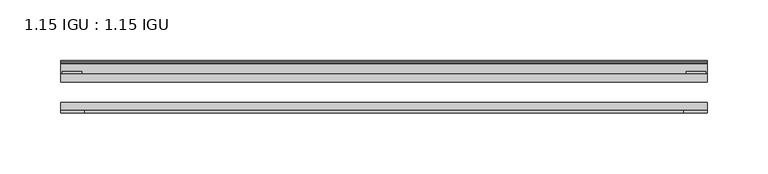
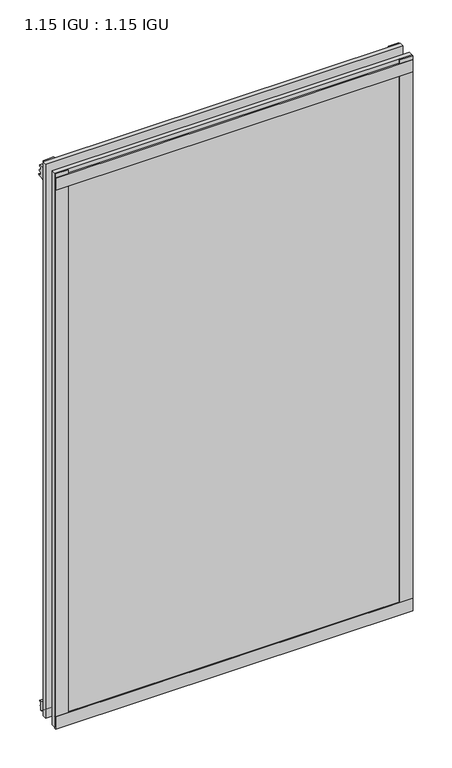
"""IFC4 building model written with IfcOpenShell, lengths in millimetres: plate geometry, 1.15 IGU : 1.15 IGU."""

from ifc_helpers import new_model, si_unit, point, frame, frame_2d, origin, place, context, project, spatial, polyline, circle_curve, trimmed, segment, composite_curve, outline, extrude, source, transform, mapped, element, save


def plate_1_15_igu_1_15_igu_24d69bb9(model_context):
    return source(origin(), model_context, "Body", "SweptSolid", [
        extrude(outline(polyline([(265.11885, 0.0), (265.11885, -6.2992), (-265.11885, -6.2992), (-265.11885, 0.0), (265.11885, 0.0)])), frame((0.0, 0.0, -17.4498), z_axis=(0.0, 0.0, 1.0), x_axis=(1.0, 0.0, 0.0)), (0.0, 0.0, 1.0), 868.3366072),
        extrude(outline(polyline([(-265.11885, -23.1648), (265.11885, -23.1648), (265.11885, -29.464), (-265.11885, -29.464), (-265.11885, -23.1648)])), frame((0.0, 0.0, -17.4498), z_axis=(0.0, 0.0, 1.0), x_axis=(1.0, 0.0, 0.0)), (0.0, 0.0, 1.0), 868.3366072),
        extrude(outline(polyline([(-265.11885, -31.75), (-265.11885, -29.464), (265.11885, -29.464), (265.11885, -31.75), (-265.11885, -31.75)])), frame((0.0, 0.0, -19.05), z_axis=(0.0, 0.0, 1.0), x_axis=(1.0, 0.0, 0.0)), (0.0, 0.0, 1.0), 19.05),
        extrude(outline(composite_curve([segment(trimmed(circle_curve(frame_2d((13.6593785, 32.4202472)), 31.3046461), [point((0.0, 4.2528503))], [point((9.3980339, 1.406995))], True, "CARTESIAN"), True, "CONTINUOUS"), segment(polyline([(9.3980339, 1.406995), (9.3980339, 0.0254), (6.35, 0.0254), (6.35, -5.1625788), (7.7309478, -5.3970663), (6.35, -8.0073788), (6.35, -11.8471127)]), True, "CONTINUOUS"), segment(trimmed(circle_curve(frame_2d((5.334, -11.8471127)), 1.016), [point((6.35, -11.8471127))], [point((4.6284878, -12.5782136))], False, "CARTESIAN"), True, "CONTINUOUS"), segment(trimmed(circle_curve(frame_2d((-23.3689302, -41.5910901)), 40.3187601), [point((4.6284878, -12.5782136))], [point((0.0, -8.735413))], True, "CARTESIAN"), True, "CONTINUOUS"), segment(polyline([(0.0, -8.735413), (0.0, 4.2528503)]), True, "CONTINUOUS")], self_intersect=False)), frame((-265.11885, 0.0, 0.0), z_axis=(1.0, 0.0, 0.0), x_axis=(0.0, 1.0, 0.0)), (0.0, 0.0, 1.0), 530.2377),
        extrude(outline(composite_curve([segment(polyline([(8.509, 840.7300284), (8.509, 838.6980284), (6.35, 838.6980284), (6.35, 833.3640284), (8.9492698, 833.3640284)]), True, "CONTINUOUS"), segment(trimmed(circle_curve(frame_2d((8.208689, 831.8368072)), 1.697311), [point((8.9492698, 833.3640284))], [point((8.962411, 830.3160284))], False, "CARTESIAN"), True, "CONTINUOUS"), segment(polyline([(8.962411, 830.3160284), (6.35, 830.3160284), (6.35, 825.4868072), (11.1252, 825.4868072), (11.1252, 824.5978072)]), True, "CONTINUOUS"), segment(trimmed(circle_curve(frame_2d((10.1092, 824.5978072)), 1.016), [point((11.1252, 824.5978072))], [point((10.1092, 823.5818072))], False, "CARTESIAN"), True, "CONTINUOUS"), segment(trimmed(circle_curve(frame_2d((10.1092, 804.1707318)), 19.4110754), [point((10.1092, 823.5818072))], [point((0.0, 820.7416075))], True, "CARTESIAN"), True, "CONTINUOUS"), segment(polyline([(0.0, 820.7416075), (0.0, 840.7300284), (8.509, 840.7300284)]), True, "CONTINUOUS")], self_intersect=False)), frame((-265.11885, 0.0, 0.0), z_axis=(1.0, 0.0, 0.0), x_axis=(0.0, 1.0, 0.0)), (0.0, 0.0, 1.0), 530.2377),
        extrude(outline(polyline([(-265.11885, -31.75), (-265.11885, -29.464), (265.11885, -29.464), (265.11885, -31.75), (-265.11885, -31.75)])), frame((0.0, 0.0, 825.4868072), z_axis=(0.0, 0.0, 1.0), x_axis=(1.0, 0.0, 0.0)), (0.0, 0.0, 1.0), 19.05),
        extrude(outline(polyline([(246.06885, -29.464), (265.11885, -29.464), (265.11885, -31.75), (246.06885, -31.75), (246.06885, -29.464)])), frame((0.0, 0.0, -17.4498), z_axis=(0.0, 0.0, 1.0), x_axis=(1.0, 0.0, 0.0)), (0.0, 0.0, 1.0), 868.3366072),
        extrude(outline(polyline([(263.91235, 2.2860088), (263.91235, 0.0021347), (248.03735, 0.0021347), (248.03735, 2.2860088), (263.91235, 2.2860088)])), frame((0.0, 0.0, -17.4498), z_axis=(0.0, 0.0, 1.0), x_axis=(1.0, 0.0, 0.0)), (0.0, 0.0, 1.0), 868.3366072),
        extrude(outline(polyline([(-265.11885, -31.75), (-265.11885, -29.464), (-246.06885, -29.464), (-246.06885, -31.75), (-265.11885, -31.75)])), frame((0.0, 0.0, -17.4498), z_axis=(0.0, 0.0, 1.0), x_axis=(1.0, 0.0, 0.0)), (0.0, 0.0, 1.0), 868.3366072),
        extrude(outline(polyline([(-263.91235, 0.0), (-263.91235, 2.286), (-248.03735, 2.286), (-248.03735, 0.0), (-263.91235, 0.0)])), frame((0.0, 0.0, -17.4498), z_axis=(0.0, 0.0, 1.0), x_axis=(1.0, 0.0, 0.0)), (0.0, 0.0, 1.0), 868.3366072),
    ])


if __name__ == "__main__":
    model = new_model("IFC4")
    model_context = context("Model", 3, world=origin())
    ifc_project = project(units=[si_unit("LENGTHUNIT", "METRE", prefix="MILLI")], contexts=[model_context])
    site = spatial("IfcSite", under=ifc_project)
    building = spatial("IfcBuilding", under=site)
    placement = place(None, origin())
    plate_1_15_igu_1_15_igu_shape = plate_1_15_igu_1_15_igu_24d69bb9(model_context)
    element("IfcPlate", 1, ObjectType="1.15 IGU : 1.15 IGU", at=placement, inside=building, context=model_context, shape_type="MappedRepresentation", body=[
        mapped(plate_1_15_igu_1_15_igu_shape, transform((0.0, 0.0, 0.0), x_axis=(1.0, 0.0, 0.0), y_axis=(0.0, 1.0, 0.0), z_axis=(0.0, 0.0, 1.0))),
    ])
    save(model, "model.ifc")
